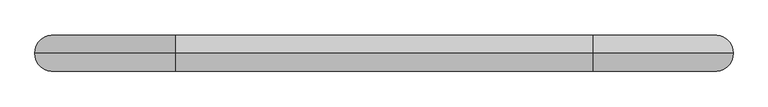
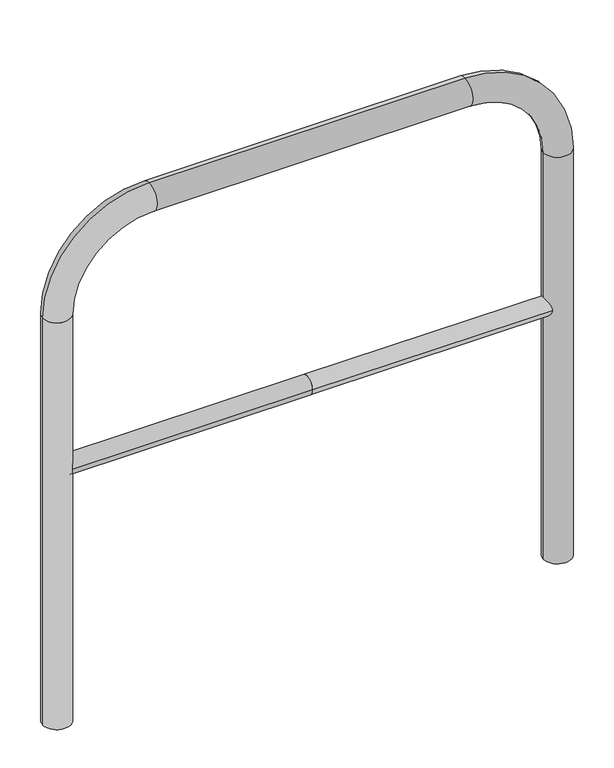
"""IFC4 building model written with IfcOpenShell, lengths in millimetres: proxy geometry."""

from ifc_helpers import new_model, si_unit, point, frame, frame_2d, origin, place, context, project, spatial, circle_curve, ellipse_curve, trimmed, segment, composite_curve, outline, extrude, source, transform, mapped, element, save
from ifc_brep_helpers import plane_surface, cylinder_surface, revolved_surface, advanced_brep


def generic_models_7878bfaf(model_context):
    return source(origin(), model_context, "Body", "SolidModel", [
        extrude(outline(composite_curve([segment(trimmed(circle_curve(frame_2d((0.0, 498.4778375)), 20.0), [point((-20.0, 498.4778375))], [point((20.0, 498.4778375))], False, "CARTESIAN"), True, "CONTINUOUS"), segment(trimmed(circle_curve(frame_2d((0.0, 498.4778375)), 20.0), [point((20.0, 498.4778375))], [point((-20.0, 498.4778375))], False, "CARTESIAN"), True, "CONTINUOUS")], self_intersect=False)), frame((-541.7678277, 0.0, 0.0), z_axis=(1.0, 0.0, 0.0), x_axis=(0.0, 1.0, 0.0)), (0.0, 0.0, 1.0), 541.7678277),
        extrude(outline(composite_curve([segment(trimmed(circle_curve(frame_2d((0.0, 498.4778375)), 20.0), [point((-20.0, 498.4778375))], [point((20.0, 498.4778375))], False, "CARTESIAN"), True, "CONTINUOUS"), segment(trimmed(circle_curve(frame_2d((0.0, 498.4778375)), 20.0), [point((20.0, 498.4778375))], [point((-20.0, 498.4778375))], False, "CARTESIAN"), True, "CONTINUOUS")], self_intersect=False)), frame((0.0, 0.0, 0.0), z_axis=(1.0, 0.0, 0.0), x_axis=(0.0, 1.0, 0.0)), (0.0, 0.0, 1.0), 541.7678277),
        advanced_brep(
        [(-511.7678277, 0.0, -80.0), (-571.7678277, 0.0, -80.0), (-511.7678277, 0.0, 850.0), (-571.7678277, 0.0, 850.0), (-341.7678277, 0.0, 1080.0), (-341.7678277, 0.0, 1020.0), (341.7678277, 0.0, 1020.0), (341.7678277, 0.0, 1080.0), (571.7678277, 0.0, 850.0), (511.7678277, 0.0, 850.0), (511.7678277, 0.0, -80.0), (571.7678277, 0.0, -80.0)],
        [
            (0, 1, circle_curve(frame((-541.7678277, 0.0, -80.0), z_axis=(0.0, 0.0, -1.0), x_axis=(-1.0, 0.0, 0.0)), 30.0)),
            (1, 0, circle_curve(frame((-541.7678277, 0.0, -80.0), z_axis=(0.0, 0.0, -1.0), x_axis=(-1.0, 0.0, 0.0)), 30.0)),
            (0, 2),
            (2, 3, circle_curve(frame((-541.7678277, 0.0, 850.0), z_axis=(0.0, 0.0, -1.0), x_axis=(-1.0, 0.0, 0.0)), 30.0)),
            (3, 1),
            (3, 2, circle_curve(frame((-541.7678277, 0.0, 850.0), z_axis=(0.0, 0.0, -1.0), x_axis=(-1.0, 0.0, 0.0)), 30.0)),
            (4, 3, circle_curve(frame((-341.7678277, 0.0, 850.0), z_axis=(0.0, -1.0, 0.0), x_axis=(-1.0, 0.0, 0.0)), 230.0)),
            (2, 5, circle_curve(frame((-341.7678277, 0.0, 850.0), z_axis=(0.0, 1.0, 0.0), x_axis=(-1.0, 0.0, 0.0)), 170.0)),
            (5, 4, circle_curve(frame((-341.7678277, 0.0, 1050.0), z_axis=(-1.0, 0.0, 0.0), x_axis=(0.0, 0.0, 1.0)), 30.0)),
            (4, 5, circle_curve(frame((-341.7678277, 0.0, 1050.0), z_axis=(-1.0, 0.0, 0.0), x_axis=(0.0, 0.0, 1.0)), 30.0)),
            (5, 6),
            (6, 7, circle_curve(frame((341.7678277, 0.0, 1050.0), z_axis=(-1.0, 0.0, 0.0), x_axis=(0.0, 0.0, 1.0)), 30.0)),
            (7, 4),
            (7, 6, circle_curve(frame((341.7678277, 0.0, 1050.0), z_axis=(-1.0, 0.0, 0.0), x_axis=(0.0, 0.0, 1.0)), 30.0)),
            (8, 7, circle_curve(frame((341.7678277, 0.0, 850.0), z_axis=(0.0, -1.0, 0.0), x_axis=(0.0, 0.0, 1.0)), 230.0)),
            (6, 9, circle_curve(frame((341.7678277, 0.0, 850.0), z_axis=(0.0, 1.0, 0.0), x_axis=(0.0, 0.0, 1.0)), 170.0)),
            (9, 8, circle_curve(frame((541.7678277, 0.0, 850.0), z_axis=(0.0, 0.0, 1.0), x_axis=(1.0, 0.0, 0.0)), 30.0)),
            (8, 9, circle_curve(frame((541.7678277, 0.0, 850.0), z_axis=(0.0, 0.0, 1.0), x_axis=(1.0, 0.0, 0.0)), 30.0)),
            (10, 11, circle_curve(frame((541.7678277, 0.0, -80.0), z_axis=(0.0, 0.0, -1.0), x_axis=(1.0, 0.0, 0.0)), 30.0)),
            (11, 10, circle_curve(frame((541.7678277, 0.0, -80.0), z_axis=(0.0, 0.0, -1.0), x_axis=(1.0, 0.0, 0.0)), 30.0)),
            (9, 10),
            (11, 8),
        ],
        [
            plane_surface(frame((-541.7678277, 0.0, -80.0), z_axis=(0.0, 0.0, -1.0), x_axis=(0.0, -1.0, 0.0))),
            cylinder_surface(frame((-541.7678277, 0.0, -80.0), z_axis=(0.0, 0.0, -1.0), x_axis=(-1.0, 0.0, 0.0)), 30.0),
            revolved_surface(trimmed(ellipse_curve(frame((-541.7678277, 0.0, 850.0), z_axis=(0.0, 0.0, -1.0), x_axis=(-1.0, 0.0, 0.0)), 30.0, 30.0), [point((-511.7678277, 0.0, 850.0))], [point((-571.7678277, 0.0, 850.0))], True, "CARTESIAN"), (-341.7678277, 0.0, 850.0), (0.0, 1.0, 0.0)),
            revolved_surface(trimmed(ellipse_curve(frame((-541.7678277, 0.0, 850.0), z_axis=(0.0, 0.0, -1.0), x_axis=(-1.0, 0.0, 0.0)), 30.0, 30.0), [point((-571.7678277, 0.0, 850.0))], [point((-511.7678277, 0.0, 850.0))], True, "CARTESIAN"), (-341.7678277, 0.0, 850.0), (0.0, 1.0, 0.0)),
            cylinder_surface(frame((-341.7678277, 0.0, 1050.0), z_axis=(-1.0, 0.0, 0.0), x_axis=(0.0, 0.0, 1.0)), 30.0),
            revolved_surface(trimmed(ellipse_curve(frame((341.7678277, 0.0, 1050.0), z_axis=(-1.0, 0.0, 0.0), x_axis=(0.0, 0.0, 1.0)), 30.0, 30.0), [point((341.7678277, 0.0, 1020.0))], [point((341.7678277, 0.0, 1080.0))], True, "CARTESIAN"), (341.7678277, 0.0, 850.0), (0.0, 1.0, 0.0)),
            revolved_surface(trimmed(ellipse_curve(frame((341.7678277, 0.0, 1050.0), z_axis=(-1.0, 0.0, 0.0), x_axis=(0.0, 0.0, 1.0)), 30.0, 30.0), [point((341.7678277, 0.0, 1080.0))], [point((341.7678277, 0.0, 1020.0))], True, "CARTESIAN"), (341.7678277, 0.0, 850.0), (0.0, 1.0, 0.0)),
            plane_surface(frame((541.7678277, 0.0, -80.0), z_axis=(0.0, 0.0, -1.0), x_axis=(0.0, -1.0, 0.0))),
            cylinder_surface(frame((541.7678277, 0.0, 850.0), z_axis=(0.0, 0.0, 1.0), x_axis=(1.0, 0.0, 0.0)), 30.0),
        ],
        [
            (0, [[1, 2]]),
            (1, [[-1, 3, 4, 5]]),
            (1, [[-2, -5, 6, -3]]),
            (2, [[7, -4, 8, 9]]),
            (3, [[-8, -6, -7, 10]]),
            (4, [[-9, 11, 12, 13]]),
            (4, [[-10, -13, 14, -11]]),
            (5, [[15, -12, 16, 17]]),
            (6, [[-16, -14, -15, 18]]),
            (7, [[19, 20]]),
            (8, [[-17, 21, -20, 22]]),
            (8, [[-18, -22, -19, -21]]),
        ],
    ),
    ])


if __name__ == "__main__":
    model = new_model("IFC4")
    model_context = context("Model", 3, world=origin())
    ifc_project = project(units=[si_unit("LENGTHUNIT", "METRE", prefix="MILLI")], contexts=[model_context])
    site = spatial("IfcSite", under=ifc_project)
    building = spatial("IfcBuilding", under=site)
    placement = place(None, origin())
    generic_models_shape = generic_models_7878bfaf(model_context)
    element("IfcBuildingElementProxy", 1, Name="Generic Models", at=placement, inside=building, context=model_context, shape_type="MappedRepresentation", body=[
        mapped(generic_models_shape, transform((0.0, 0.0, 0.0), x_axis=(1.0, 0.0, 0.0), y_axis=(0.0, 1.0, 0.0), z_axis=(0.0, 0.0, 1.0))),
    ])
    save(model, "model.ifc")
